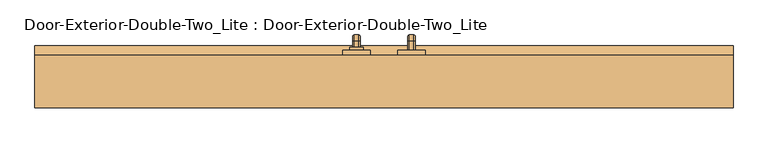
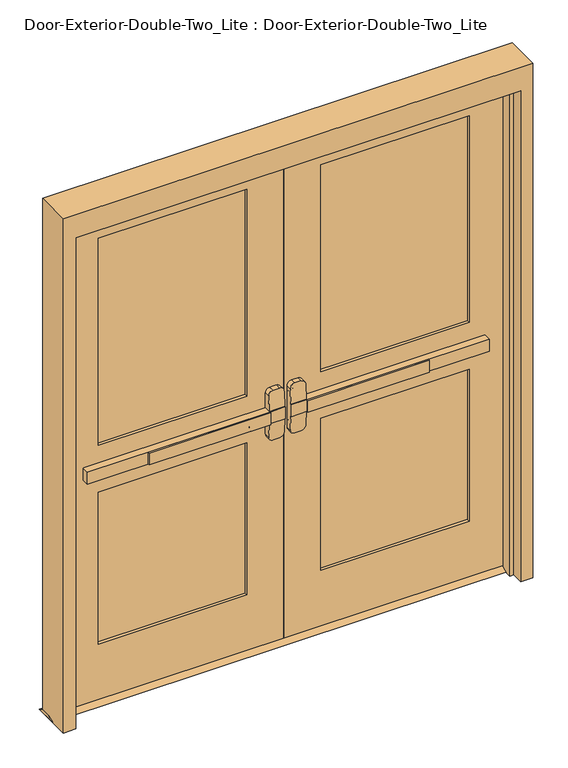
"""IFC4 building model written with IfcOpenShell, lengths in millimetres: door geometry, Door-Exterior-Double-Two_Lite : Door-Exterior-Double-Two_Lite."""

from ifc_helpers import new_model, si_unit, point, frame, frame_2d, origin, place, context, project, spatial, polyline, circle_curve, ellipse_curve, trimmed, segment, composite_curve, outline, extrude, faceted_brep, source, transform, mapped, element, save
from ifc_brep_helpers import plane_surface, cylinder_surface, revolved_surface, advanced_brep


def door_exterior_double_two_lite_door_exterior_double_two_lite_6260e01d(model_context):
    return source(origin(), model_context, "Body", "SolidModel", [
        extrude(outline(polyline([(-575.7333333, 0.0), (-575.7333333, 6.35), (-76.2, 6.35), (-76.2, 0.0), (-575.7333333, 0.0)])), frame((0.0, 0.0, 990.6), z_axis=(0.0, 0.0, 1.0), x_axis=(1.0, 0.0, 0.0)), (0.0, 0.0, 1.0), 50.8),
        advanced_brep(
        [(-12.7, 6.35, 1041.4), (-76.2, 6.35, 1041.4), (-825.5, 6.35, 1041.4), (-825.5, 6.35, 990.6), (-76.2, 6.35, 990.6), (-12.7, 6.35, 990.6), (-825.5, 38.1, 1041.4), (-76.2, 38.1, 1041.4), (-76.2, 38.1, 1104.9), (-57.15, 38.1, 1123.95), (-31.75, 38.1, 1123.95), (-12.7, 38.1, 1104.9), (-12.7, 38.1, 927.1), (-31.75, 38.1, 908.05), (-57.15, 38.1, 908.05), (-76.2, 38.1, 927.1), (-76.2, 38.1, 990.6), (-825.5, 38.1, 990.6), (-12.7, 9.5252467, 1041.4), (-76.2, 9.5252467, 1041.4), (-12.7, 9.5252467, 990.6), (-12.7, 14.5354269, 927.1), (-12.7, 14.5354269, 1104.9), (-76.2, 9.5252467, 990.6), (-76.2, 14.5354269, 1104.9), (-76.2, 14.5354269, 927.1), (-57.15, 16.038481, 1123.95), (-31.75, 16.038481, 1123.95), (-31.75, 16.038481, 908.05), (-57.15, 16.038481, 908.05)],
        [
            (0, 1),
            (1, 2),
            (2, 3),
            (3, 4),
            (4, 5),
            (5, 0),
            (6, 7),
            (7, 8),
            (8, 9, circle_curve(frame((-57.15, 38.1, 1104.9), z_axis=(0.0, 1.0, 0.0), x_axis=(-1.0, 0.0, 0.0)), 19.05)),
            (9, 10),
            (10, 11, circle_curve(frame((-31.75, 38.1, 1104.9), z_axis=(0.0, 1.0, 0.0), x_axis=(-1.0, 0.0, 0.0)), 19.05)),
            (11, 12),
            (12, 13, circle_curve(frame((-31.75, 38.1, 927.1), z_axis=(0.0, 1.0, 0.0), x_axis=(-1.0, 0.0, 0.0)), 19.05)),
            (13, 14),
            (14, 15, circle_curve(frame((-57.15, 38.1, 927.1), z_axis=(0.0, 1.0, 0.0), x_axis=(-1.0, 0.0, 0.0)), 19.05)),
            (15, 16),
            (16, 17),
            (17, 6),
            (0, 18),
            (18, 19),
            (19, 7),
            (6, 2),
            (5, 20),
            (20, 21),
            (21, 12),
            (11, 22),
            (22, 18),
            (16, 23),
            (23, 20),
            (3, 17),
            (19, 24),
            (24, 8),
            (15, 25),
            (25, 23),
            (9, 26),
            (26, 27),
            (27, 10),
            (13, 28),
            (28, 29),
            (29, 14),
            (29, 25, ellipse_curve(frame((-57.15, 14.5354269, 927.1), z_axis=(0.0, 0.9969018152893365, 0.07865602756830282), x_axis=(0.0, -0.07865602756830208, 0.9969018152893365)), 19.1092038, 19.05)),
            (24, 26, ellipse_curve(frame((-57.15, 14.5354269, 1104.9), z_axis=(0.0, 0.9969018152893376, -0.07865602756828934), x_axis=(0.0, -0.078656027568288, -0.9969018152893377)), 19.1092038, 19.05)),
            (27, 22, ellipse_curve(frame((-31.75, 14.5354269, 1104.9), z_axis=(0.0, 0.9969018152893376, -0.07865602756828934), x_axis=(0.0, -0.078656027568288, -0.9969018152893377)), 19.1092038, 19.05)),
            (21, 28, ellipse_curve(frame((-31.75, 14.5354269, 927.1), z_axis=(0.0, 0.9969018152893365, 0.07865602756830282), x_axis=(0.0, -0.07865602756830208, 0.9969018152893365)), 19.1092038, 19.05)),
        ],
        [
            plane_surface(frame((-12.7, 6.35, 1041.4), z_axis=(0.0, -1.0, 0.0), x_axis=(1.0, 0.0, 0.0))),
            plane_surface(frame((-12.7, 38.1, 1041.4), z_axis=(0.0, 1.0, 0.0), x_axis=(-1.0, 0.0, 0.0))),
            plane_surface(frame((-825.5, 6.35, 1041.4), z_axis=(0.0, 0.0, 1.0), x_axis=(0.0, 1.0, 0.0))),
            plane_surface(frame((-12.7, 6.35, 1041.4), z_axis=(1.0, 0.0, 0.0), x_axis=(0.0, 1.0, 0.0))),
            plane_surface(frame((-12.7, 6.35, 990.6), z_axis=(0.0, 0.0, -1.0), x_axis=(0.0, 1.0, 0.0))),
            plane_surface(frame((-825.5, 6.35, 990.6), z_axis=(-1.0, 0.0, 0.0), x_axis=(0.0, 1.0, 0.0))),
            plane_surface(frame((-76.2, 9.5252467, 927.1), z_axis=(-1.0, 0.0, 0.0), x_axis=(0.0, 1.0, 0.0))),
            plane_surface(frame((-57.15, 9.5252467, 1123.95), z_axis=(0.0, 0.0, 1.0), x_axis=(0.0, 1.0, 0.0))),
            plane_surface(frame((-31.75, 9.5252467, 908.05), z_axis=(0.0, 0.0, -1.0), x_axis=(0.0, 1.0, 0.0))),
            cylinder_surface(frame((-57.15, 38.1, 927.1), z_axis=(0.0, -1.0, 0.0), x_axis=(-1.0, 0.0, 0.0)), 19.05),
            cylinder_surface(frame((-57.15, 38.1, 1104.9), z_axis=(0.0, -1.0, 0.0), x_axis=(-1.0, 0.0, 0.0)), 19.05),
            cylinder_surface(frame((-31.75, 38.1, 1104.9), z_axis=(0.0, -1.0, 0.0), x_axis=(-1.0, 0.0, 0.0)), 19.05),
            cylinder_surface(frame((-31.75, 38.1, 927.1), z_axis=(0.0, -1.0, 0.0), x_axis=(-1.0, 0.0, 0.0)), 19.05),
            plane_surface(frame((-76.2, 9.5252467, 1041.4), z_axis=(0.0, -0.9969018152893376, 0.07865602756828934), x_axis=(1.0, 0.0, 0.0))),
            plane_surface(frame((-76.2, 16.038481, 908.05), z_axis=(0.0, -0.9969018152893365, -0.07865602756830282), x_axis=(1.0, 0.0, 0.0))),
        ],
        [
            (0, [[1, 2, 3, 4, 5, 6]]),
            (1, [[7, 8, 9, 10, 11, 12, 13, 14, 15, 16, 17, 18]]),
            (2, [[-2, -1, 19, 20, 21, -7, 22]]),
            (3, [[23, 24, 25, -12, 26, 27, -19, -6]]),
            (4, [[-17, 28, 29, -23, -5, -4, 30]]),
            (5, [[-22, -18, -30, -3]]),
            (6, [[-21, 31, 32, -8]]),
            (6, [[33, 34, -28, -16]]),
            (7, [[35, 36, 37, -10]]),
            (8, [[38, 39, 40, -14]]),
            (9, [[-40, 41, -33, -15]]),
            (10, [[-32, 42, -35, -9]]),
            (11, [[-37, 43, -26, -11]]),
            (12, [[-25, 44, -38, -13]]),
            (13, [[-27, -43, -36, -42, -31, -20]]),
            (14, [[-29, -34, -41, -39, -44, -24]]),
        ],
    ),
        extrude(outline(polyline([(82.55, 12.7), (107.95, 0.0), (12.7, 0.0), (38.1, 12.7), (82.55, 12.7)])), frame((-965.2, 0.0, 0.0), z_axis=(1.0, 0.0, 0.0), x_axis=(0.0, 1.0, 0.0)), (0.0, 0.0, 1.0), 1930.4),
        extrude(outline(polyline([(575.7333333, 0.0), (76.2, 0.0), (76.2, 6.35), (575.7333333, 6.35), (575.7333333, 0.0)])), frame((0.0, 0.0, 990.6), z_axis=(0.0, 0.0, 1.0), x_axis=(1.0, 0.0, 0.0)), (0.0, 0.0, 1.0), 50.8),
        advanced_brep(
        [(12.7, 6.35, 1041.4), (12.7, 6.35, 990.6), (76.2, 6.35, 990.6), (825.5, 6.35, 990.6), (825.5, 6.35, 1041.4), (76.2, 6.35, 1041.4), (825.5, 38.1, 1041.4), (825.5, 38.1, 990.6), (76.2, 38.1, 990.6), (76.2, 38.1, 927.1), (57.15, 38.1, 908.05), (31.75, 38.1, 908.05), (12.7, 38.1, 927.1), (12.7, 38.1, 1104.9), (31.75, 38.1, 1123.95), (57.15, 38.1, 1123.95), (76.2, 38.1, 1104.9), (76.2, 38.1, 1041.4), (76.2, 9.5252467, 1041.4), (12.7, 9.5252467, 1041.4), (12.7, 14.5354269, 1104.9), (12.7, 14.5354269, 927.1), (12.7, 9.5252467, 990.6), (76.2, 9.5252467, 990.6), (76.2, 14.5354269, 927.1), (76.2, 14.5354269, 1104.9), (31.75, 16.038481, 1123.95), (57.15, 16.038481, 1123.95), (57.15, 16.038481, 908.05), (31.75, 16.038481, 908.05)],
        [
            (0, 1),
            (1, 2),
            (2, 3),
            (3, 4),
            (4, 5),
            (5, 0),
            (6, 7),
            (7, 8),
            (8, 9),
            (9, 10, circle_curve(frame((57.15, 38.1, 927.1), z_axis=(0.0, 1.0, 0.0), x_axis=(1.0, 0.0, 0.0)), 19.05)),
            (10, 11),
            (11, 12, circle_curve(frame((31.75, 38.1, 927.1), z_axis=(0.0, 1.0, 0.0), x_axis=(1.0, 0.0, 0.0)), 19.05)),
            (12, 13),
            (13, 14, circle_curve(frame((31.75, 38.1, 1104.9), z_axis=(0.0, 1.0, 0.0), x_axis=(1.0, 0.0, 0.0)), 19.05)),
            (14, 15),
            (15, 16, circle_curve(frame((57.15, 38.1, 1104.9), z_axis=(0.0, 1.0, 0.0), x_axis=(1.0, 0.0, 0.0)), 19.05)),
            (16, 17),
            (17, 6),
            (4, 6),
            (17, 18),
            (18, 19),
            (19, 0),
            (19, 20),
            (20, 13),
            (12, 21),
            (21, 22),
            (22, 1),
            (7, 3),
            (22, 23),
            (23, 8),
            (23, 24),
            (24, 9),
            (16, 25),
            (25, 18),
            (14, 26),
            (26, 27),
            (27, 15),
            (10, 28),
            (28, 29),
            (29, 11),
            (24, 28, ellipse_curve(frame((57.15, 14.5354269, 927.1), z_axis=(0.0, 0.9969018152893365, 0.07865602756830282), x_axis=(0.0, -0.07865602756830208, 0.9969018152893365)), 19.1092038, 19.05)),
            (27, 25, ellipse_curve(frame((57.15, 14.5354269, 1104.9), z_axis=(0.0, 0.9969018152893376, -0.07865602756828934), x_axis=(0.0, -0.078656027568288, -0.9969018152893377)), 19.1092038, 19.05)),
            (20, 26, ellipse_curve(frame((31.75, 14.5354269, 1104.9), z_axis=(0.0, 0.9969018152893376, -0.07865602756828934), x_axis=(0.0, -0.078656027568288, -0.9969018152893377)), 19.1092038, 19.05)),
            (29, 21, ellipse_curve(frame((31.75, 14.5354269, 927.1), z_axis=(0.0, 0.9969018152893365, 0.07865602756830282), x_axis=(0.0, -0.07865602756830208, 0.9969018152893365)), 19.1092038, 19.05)),
        ],
        [
            plane_surface(frame((12.7, 6.35, 1041.4), z_axis=(0.0, -1.0, 0.0), x_axis=(-1.0, 0.0, 0.0))),
            plane_surface(frame((12.7, 38.1, 1041.4), z_axis=(0.0, 1.0, 0.0), x_axis=(1.0, 0.0, 0.0))),
            plane_surface(frame((825.5, 6.35, 1041.4), z_axis=(0.0, 0.0, 1.0), x_axis=(0.0, 1.0, 0.0))),
            plane_surface(frame((12.7, 6.35, 1041.4), z_axis=(-1.0, 0.0, 0.0), x_axis=(0.0, 1.0, 0.0))),
            plane_surface(frame((12.7, 6.35, 990.6), z_axis=(0.0, 0.0, -1.0), x_axis=(0.0, 1.0, 0.0))),
            plane_surface(frame((825.5, 6.35, 990.6), z_axis=(1.0, 0.0, 0.0), x_axis=(0.0, 1.0, 0.0))),
            plane_surface(frame((76.2, 9.5252467, 927.1), z_axis=(1.0, 0.0, 0.0), x_axis=(0.0, 1.0, 0.0))),
            plane_surface(frame((57.15, 9.5252467, 1123.95), z_axis=(0.0, 0.0, 1.0), x_axis=(0.0, 1.0, 0.0))),
            plane_surface(frame((31.75, 9.5252467, 908.05), z_axis=(0.0, 0.0, -1.0), x_axis=(0.0, 1.0, 0.0))),
            cylinder_surface(frame((57.15, 38.1, 927.1), z_axis=(0.0, -1.0, 0.0), x_axis=(1.0, 0.0, 0.0)), 19.05),
            cylinder_surface(frame((57.15, 38.1, 1104.9), z_axis=(0.0, -1.0, 0.0), x_axis=(1.0, 0.0, 0.0)), 19.05),
            cylinder_surface(frame((31.75, 38.1, 1104.9), z_axis=(0.0, -1.0, 0.0), x_axis=(1.0, 0.0, 0.0)), 19.05),
            cylinder_surface(frame((31.75, 38.1, 927.1), z_axis=(0.0, -1.0, 0.0), x_axis=(1.0, 0.0, 0.0)), 19.05),
            plane_surface(frame((76.2, 9.5252467, 1041.4), z_axis=(0.0, -0.9969018152893376, 0.07865602756828934), x_axis=(-1.0, 0.0, 0.0))),
            plane_surface(frame((76.2, 16.038481, 908.05), z_axis=(0.0, -0.9969018152893365, -0.07865602756830282), x_axis=(-1.0, 0.0, 0.0))),
        ],
        [
            (0, [[1, 2, 3, 4, 5, 6]]),
            (1, [[7, 8, 9, 10, 11, 12, 13, 14, 15, 16, 17, 18]]),
            (2, [[19, -18, 20, 21, 22, -6, -5]]),
            (3, [[-1, -22, 23, 24, -13, 25, 26, 27]]),
            (4, [[28, -3, -2, -27, 29, 30, -8]]),
            (5, [[-4, -28, -7, -19]]),
            (6, [[-9, -30, 31, 32]]),
            (6, [[-17, 33, 34, -20]]),
            (7, [[-15, 35, 36, 37]]),
            (8, [[-11, 38, 39, 40]]),
            (9, [[-10, -32, 41, -38]]),
            (10, [[-16, -37, 42, -33]]),
            (11, [[-14, -24, 43, -35]]),
            (12, [[-12, -40, 44, -25]]),
            (13, [[-21, -34, -42, -36, -43, -23]]),
            (14, [[-26, -44, -39, -41, -31, -29]]),
        ],
    ),
        advanced_brep(
        [(66.2, 95.25, 1017.190625), (66.2, 95.25, 1014.809375), (69.771875, 95.25, 1011.2375), (82.6284594, 95.25, 1011.2375), (86.2, 95.25, 1014.8090406), (86.2, 95.25, 1017.190625), (82.628125, 95.25, 1020.7625), (69.771875, 95.25, 1020.7625), (66.2, 95.25, 887.809375), (69.771875, 95.25, 884.2375), (82.628125, 95.25, 884.2375), (86.2, 95.25, 887.809375), (86.2, 95.25, 890.1909594), (82.6284594, 95.25, 893.7625), (69.771875, 95.25, 893.7625), (66.2, 95.25, 890.190625), (66.2, 120.65, 1017.190625), (66.2, 134.540625, 1003.3), (66.2, 134.540625, 901.7), (66.2, 120.65, 887.809375), (66.2, 120.65, 890.190625), (66.2, 132.159375, 901.7), (66.2, 132.159375, 1003.3), (66.2, 120.65, 1014.809375), (69.771875, 120.65, 1011.2375), (82.6284594, 120.65, 1011.2375), (86.2, 120.65, 1014.8090406), (86.2, 132.1590406, 1003.3), (86.2, 132.1590406, 901.7), (86.2, 120.65, 890.1909594), (86.2, 120.65, 887.809375), (86.2, 134.540625, 901.7), (86.2, 134.540625, 1003.3), (86.2, 120.65, 1017.190625), (82.628125, 120.65, 1020.7625), (69.771875, 120.65, 1020.7625), (69.771875, 128.5875, 1003.3), (82.6284594, 128.5875, 1003.3), (82.628125, 138.1125, 1003.3), (69.771875, 138.1125, 1003.3), (69.771875, 128.5875, 901.7), (82.6284594, 128.5875, 901.7), (82.628125, 138.1125, 901.7), (69.771875, 138.1125, 901.7), (69.771875, 120.65, 893.7625), (82.6284594, 120.65, 893.7625), (82.628125, 120.65, 884.2375), (69.771875, 120.65, 884.2375)],
        [
            (0, 1),
            (1, 2, circle_curve(frame((69.771875, 95.25, 1014.809375), z_axis=(0.0, -1.0, 0.0), x_axis=(0.0, 0.0, 1.0)), 3.571875)),
            (2, 3),
            (3, 4, circle_curve(frame((82.6284594, 95.25, 1014.8090406), z_axis=(0.0, -1.0, 0.0), x_axis=(0.0, 0.0, 1.0)), 3.5715406)),
            (4, 5),
            (5, 6, circle_curve(frame((82.628125, 95.25, 1017.190625), z_axis=(0.0, -1.0, 0.0), x_axis=(0.0, 0.0, 1.0)), 3.571875)),
            (6, 7),
            (7, 0, circle_curve(frame((69.771875, 95.25, 1017.190625), z_axis=(0.0, -1.0, 0.0), x_axis=(0.0, 0.0, 1.0)), 3.571875)),
            (8, 9, circle_curve(frame((69.771875, 95.25, 887.809375), z_axis=(0.0, -1.0, 0.0), x_axis=(0.0, 0.0, -1.0)), 3.571875)),
            (9, 10),
            (10, 11, circle_curve(frame((82.628125, 95.25, 887.809375), z_axis=(0.0, -1.0, 0.0), x_axis=(0.0, 0.0, -1.0)), 3.571875)),
            (11, 12),
            (12, 13, circle_curve(frame((82.6284594, 95.25, 890.1909594), z_axis=(0.0, -1.0, 0.0), x_axis=(0.0, 0.0, -1.0)), 3.5715406)),
            (13, 14),
            (14, 15, circle_curve(frame((69.771875, 95.25, 890.190625), z_axis=(0.0, -1.0, 0.0), x_axis=(0.0, 0.0, -1.0)), 3.571875)),
            (15, 8),
            (0, 16),
            (16, 17, circle_curve(frame((66.2, 120.65, 1003.3), z_axis=(-1.0, 0.0, 0.0), x_axis=(0.0, 0.0, 1.0)), 13.890625)),
            (17, 18),
            (18, 19, circle_curve(frame((66.2, 120.65, 901.7), z_axis=(-1.0, 0.0, 0.0), x_axis=(0.0, 1.0, 0.0)), 13.890625)),
            (19, 8),
            (15, 20),
            (20, 21, circle_curve(frame((66.2, 120.65, 901.7), z_axis=(1.0, 0.0, 0.0), x_axis=(0.0, 1.0, 0.0)), 11.509375)),
            (21, 22),
            (22, 23, circle_curve(frame((66.2, 120.65, 1003.3), z_axis=(1.0, 0.0, 0.0), x_axis=(0.0, 0.0, 1.0)), 11.509375)),
            (23, 1),
            (23, 24, circle_curve(frame((69.771875, 120.65, 1014.809375), z_axis=(0.0, -1.0, 0.0), x_axis=(0.0, 0.0, 1.0)), 3.571875)),
            (24, 2),
            (24, 25),
            (25, 3),
            (25, 26, circle_curve(frame((82.6284594, 120.65, 1014.8090406), z_axis=(0.0, -1.0, 0.0), x_axis=(0.0, 0.0, 1.0)), 3.5715406)),
            (26, 4),
            (26, 27, circle_curve(frame((86.2, 120.65, 1003.3), z_axis=(-1.0, 0.0, 0.0), x_axis=(0.0, 0.0, 1.0)), 11.5090406)),
            (27, 28),
            (28, 29, circle_curve(frame((86.2, 120.65, 901.7), z_axis=(-1.0, 0.0, 0.0), x_axis=(0.0, 1.0, 0.0)), 11.5090406)),
            (29, 12),
            (11, 30),
            (30, 31, circle_curve(frame((86.2, 120.65, 901.7), z_axis=(1.0, 0.0, 0.0), x_axis=(0.0, 1.0, 0.0)), 13.890625)),
            (31, 32),
            (32, 33, circle_curve(frame((86.2, 120.65, 1003.3), z_axis=(1.0, 0.0, 0.0), x_axis=(0.0, 0.0, 1.0)), 13.890625)),
            (33, 5),
            (33, 34, circle_curve(frame((82.628125, 120.65, 1017.190625), z_axis=(0.0, -1.0, 0.0), x_axis=(0.0, 0.0, 1.0)), 3.571875)),
            (34, 6),
            (34, 35),
            (35, 7),
            (35, 16, circle_curve(frame((69.771875, 120.65, 1017.190625), z_axis=(0.0, -1.0, 0.0), x_axis=(0.0, 0.0, 1.0)), 3.571875)),
            (36, 24, circle_curve(frame((69.771875, 120.65, 1003.3), z_axis=(1.0, 0.0, 0.0), x_axis=(0.0, 0.0, 1.0)), 7.9375)),
            (22, 36, circle_curve(frame((69.771875, 132.159375, 1003.3), z_axis=(0.0, 0.0, 1.0), x_axis=(0.0, 1.0, 0.0)), 3.571875)),
            (37, 25, circle_curve(frame((82.6284594, 120.65, 1003.3), z_axis=(1.0, 0.0, 0.0), x_axis=(0.0, 0.0, 1.0)), 7.9375)),
            (36, 37),
            (37, 27, circle_curve(frame((82.6284594, 132.1590406, 1003.3), z_axis=(0.0, 0.0, 1.0), x_axis=(0.0, 1.0, 0.0)), 3.5715406)),
            (38, 34, circle_curve(frame((82.628125, 120.65, 1003.3), z_axis=(1.0, 0.0, 0.0), x_axis=(0.0, 0.0, 1.0)), 17.4625)),
            (32, 38, circle_curve(frame((82.628125, 134.540625, 1003.3), z_axis=(0.0, 0.0, 1.0), x_axis=(0.0, 1.0, 0.0)), 3.571875)),
            (39, 35, circle_curve(frame((69.771875, 120.65, 1003.3), z_axis=(1.0, 0.0, 0.0), x_axis=(0.0, 0.0, 1.0)), 17.4625)),
            (38, 39),
            (39, 17, circle_curve(frame((69.771875, 134.540625, 1003.3), z_axis=(0.0, 0.0, 1.0), x_axis=(0.0, 1.0, 0.0)), 3.571875)),
            (21, 40, circle_curve(frame((69.771875, 132.159375, 901.7), z_axis=(0.0, 0.0, 1.0), x_axis=(0.0, 1.0, 0.0)), 3.571875)),
            (40, 36),
            (40, 41),
            (41, 37),
            (41, 28, circle_curve(frame((82.6284594, 132.1590406, 901.7), z_axis=(0.0, 0.0, 1.0), x_axis=(0.0, 1.0, 0.0)), 3.5715406)),
            (31, 42, circle_curve(frame((82.628125, 134.540625, 901.7), z_axis=(0.0, 0.0, 1.0), x_axis=(0.0, 1.0, 0.0)), 3.571875)),
            (42, 38),
            (42, 43),
            (43, 39),
            (43, 18, circle_curve(frame((69.771875, 134.540625, 901.7), z_axis=(0.0, 0.0, 1.0), x_axis=(0.0, 1.0, 0.0)), 3.571875)),
            (44, 40, circle_curve(frame((69.771875, 120.65, 901.7), z_axis=(1.0, 0.0, 0.0), x_axis=(0.0, 1.0, 0.0)), 7.9375)),
            (20, 44, circle_curve(frame((69.771875, 120.65, 890.190625), z_axis=(0.0, 1.0, 0.0), x_axis=(0.0, 0.0, -1.0)), 3.571875)),
            (45, 41, circle_curve(frame((82.6284594, 120.65, 901.7), z_axis=(1.0, 0.0, 0.0), x_axis=(0.0, 1.0, 0.0)), 7.9375)),
            (44, 45),
            (45, 29, circle_curve(frame((82.6284594, 120.65, 890.1909594), z_axis=(0.0, 1.0, 0.0), x_axis=(0.0, 0.0, -1.0)), 3.5715406)),
            (46, 42, circle_curve(frame((82.628125, 120.65, 901.7), z_axis=(1.0, 0.0, 0.0), x_axis=(0.0, 1.0, 0.0)), 17.4625)),
            (30, 46, circle_curve(frame((82.628125, 120.65, 887.809375), z_axis=(0.0, 1.0, 0.0), x_axis=(0.0, 0.0, -1.0)), 3.571875)),
            (47, 43, circle_curve(frame((69.771875, 120.65, 901.7), z_axis=(1.0, 0.0, 0.0), x_axis=(0.0, 1.0, 0.0)), 17.4625)),
            (46, 47),
            (47, 19, circle_curve(frame((69.771875, 120.65, 887.809375), z_axis=(0.0, 1.0, 0.0), x_axis=(0.0, 0.0, -1.0)), 3.571875)),
            (14, 44),
            (13, 45),
            (10, 46),
            (9, 47),
        ],
        [
            plane_surface(frame((76.2, 95.25, 1016.0), z_axis=(0.0, -1.0, 0.0), x_axis=(1.0, 0.0, 0.0))),
            plane_surface(frame((76.2, 95.25, 889.0), z_axis=(0.0, -1.0, 0.0), x_axis=(1.0, 0.0, 0.0))),
            plane_surface(frame((66.2, 95.25, 1017.190625), z_axis=(-1.0, 0.0, 0.0), x_axis=(0.0, 1.0, 0.0))),
            cylinder_surface(frame((69.771875, 95.25, 1014.809375), z_axis=(0.0, -1.0, 0.0), x_axis=(0.0, 0.0, 1.0)), 3.571875),
            plane_surface(frame((69.771875, 95.25, 1011.2375), z_axis=(0.0, 0.0, -1.0), x_axis=(0.0, 1.0, 0.0))),
            cylinder_surface(frame((82.6284594, 95.25, 1014.8090406), z_axis=(0.0, -1.0, 0.0), x_axis=(0.0, 0.0, 1.0)), 3.5715406),
            plane_surface(frame((86.2, 95.25, 1014.8090406), z_axis=(1.0, 0.0, 0.0), x_axis=(0.0, 1.0, 0.0))),
            cylinder_surface(frame((82.628125, 95.25, 1017.190625), z_axis=(0.0, -1.0, 0.0), x_axis=(0.0, 0.0, 1.0)), 3.571875),
            plane_surface(frame((82.628125, 95.25, 1020.7625), z_axis=(0.0, 0.0, 1.0), x_axis=(0.0, 1.0, 0.0))),
            cylinder_surface(frame((69.771875, 95.25, 1017.190625), z_axis=(0.0, -1.0, 0.0), x_axis=(0.0, 0.0, 1.0)), 3.571875),
            revolved_surface(trimmed(ellipse_curve(frame((69.771875, 120.65, 1014.809375), z_axis=(0.0, -1.0, 0.0), x_axis=(0.0, 0.0, 1.0)), 3.571875, 3.571875), [point((66.2, 120.65, 1014.809375))], [point((69.771875, 120.65, 1011.2375))], True, "CARTESIAN"), (76.2, 120.65, 1003.3), (-1.0, 0.0, 0.0)),
            revolved_surface(polyline([(69.771875, 120.65, 1011.2375), (82.6284594, 120.65, 1011.2375)]), (76.2, 120.65, 1003.3), (-1.0, 0.0, 0.0)),
            revolved_surface(trimmed(ellipse_curve(frame((82.6284594, 120.65, 1014.8090406), z_axis=(0.0, -1.0, 0.0), x_axis=(0.0, 0.0, 1.0)), 3.5715406, 3.5715406), [point((82.6284594, 120.65, 1011.2375))], [point((86.2, 120.65, 1014.8090406))], True, "CARTESIAN"), (76.2, 120.65, 1003.3), (-1.0, 0.0, 0.0)),
            revolved_surface(trimmed(ellipse_curve(frame((82.628125, 120.65, 1017.190625), z_axis=(0.0, -1.0, 0.0), x_axis=(0.0, 0.0, 1.0)), 3.571875, 3.571875), [point((86.2, 120.65, 1017.190625))], [point((82.628125, 120.65, 1020.7625))], True, "CARTESIAN"), (76.2, 120.65, 1003.3), (-1.0, 0.0, 0.0)),
            cylinder_surface(frame((76.2, 120.65, 1003.3), z_axis=(-1.0, 0.0, 0.0), x_axis=(0.0, 0.0, 1.0)), 17.4625),
            revolved_surface(trimmed(ellipse_curve(frame((69.771875, 120.65, 1017.190625), z_axis=(0.0, -1.0, 0.0), x_axis=(0.0, 0.0, 1.0)), 3.571875, 3.571875), [point((69.771875, 120.65, 1020.7625))], [point((66.2, 120.65, 1017.190625))], True, "CARTESIAN"), (76.2, 120.65, 1003.3), (-1.0, 0.0, 0.0)),
            cylinder_surface(frame((69.771875, 132.159375, 1003.3), z_axis=(0.0, 0.0, 1.0), x_axis=(0.0, 1.0, 0.0)), 3.571875),
            plane_surface(frame((69.771875, 128.5875, 1003.3), z_axis=(0.0, -1.0, 0.0), x_axis=(0.0, 0.0, -1.0))),
            cylinder_surface(frame((82.6284594, 132.1590406, 1003.3), z_axis=(0.0, 0.0, 1.0), x_axis=(0.0, 1.0, 0.0)), 3.5715406),
            cylinder_surface(frame((82.628125, 134.540625, 1003.3), z_axis=(0.0, 0.0, 1.0), x_axis=(0.0, 1.0, 0.0)), 3.571875),
            plane_surface(frame((82.628125, 138.1125, 1003.3), z_axis=(0.0, 1.0, 0.0), x_axis=(0.0, 0.0, -1.0))),
            cylinder_surface(frame((69.771875, 134.540625, 1003.3), z_axis=(0.0, 0.0, 1.0), x_axis=(0.0, 1.0, 0.0)), 3.571875),
            revolved_surface(trimmed(ellipse_curve(frame((69.771875, 132.159375, 901.7), z_axis=(0.0, 0.0, 1.0), x_axis=(0.0, 1.0, 0.0)), 3.571875, 3.571875), [point((66.2, 132.159375, 901.7))], [point((69.771875, 128.5875, 901.7))], True, "CARTESIAN"), (76.2, 120.65, 901.7), (-1.0, 0.0, 0.0)),
            revolved_surface(polyline([(69.771875, 128.5875, 901.7), (82.6284594, 128.5875, 901.7)]), (76.2, 120.65, 901.7), (-1.0, 0.0, 0.0)),
            revolved_surface(trimmed(ellipse_curve(frame((82.6284594, 132.1590406, 901.7), z_axis=(0.0, 0.0, 1.0), x_axis=(0.0, 1.0, 0.0)), 3.5715406, 3.5715406), [point((82.6284594, 128.5875, 901.7))], [point((86.2, 132.1590406, 901.7))], True, "CARTESIAN"), (76.2, 120.65, 901.7), (-1.0, 0.0, 0.0)),
            revolved_surface(trimmed(ellipse_curve(frame((82.628125, 134.540625, 901.7), z_axis=(0.0, 0.0, 1.0), x_axis=(0.0, 1.0, 0.0)), 3.571875, 3.571875), [point((86.2, 134.540625, 901.7))], [point((82.628125, 138.1125, 901.7))], True, "CARTESIAN"), (76.2, 120.65, 901.7), (-1.0, 0.0, 0.0)),
            cylinder_surface(frame((76.2, 120.65, 901.7), z_axis=(-1.0, 0.0, 0.0), x_axis=(0.0, 1.0, 0.0)), 17.4625),
            revolved_surface(trimmed(ellipse_curve(frame((69.771875, 134.540625, 901.7), z_axis=(0.0, 0.0, 1.0), x_axis=(0.0, 1.0, 0.0)), 3.571875, 3.571875), [point((69.771875, 138.1125, 901.7))], [point((66.2, 134.540625, 901.7))], True, "CARTESIAN"), (76.2, 120.65, 901.7), (-1.0, 0.0, 0.0)),
            cylinder_surface(frame((69.771875, 120.65, 890.190625), z_axis=(0.0, 1.0, 0.0), x_axis=(0.0, 0.0, -1.0)), 3.571875),
            plane_surface(frame((69.771875, 120.65, 893.7625), z_axis=(0.0, 0.0, 1.0), x_axis=(0.0, -1.0, 0.0))),
            cylinder_surface(frame((82.6284594, 120.65, 890.1909594), z_axis=(0.0, 1.0, 0.0), x_axis=(0.0, 0.0, -1.0)), 3.5715406),
            cylinder_surface(frame((82.628125, 120.65, 887.809375), z_axis=(0.0, 1.0, 0.0), x_axis=(0.0, 0.0, -1.0)), 3.571875),
            plane_surface(frame((82.628125, 120.65, 884.2375), z_axis=(0.0, 0.0, -1.0), x_axis=(0.0, -1.0, 0.0))),
            cylinder_surface(frame((69.771875, 120.65, 887.809375), z_axis=(0.0, 1.0, 0.0), x_axis=(0.0, 0.0, -1.0)), 3.571875),
        ],
        [
            (0, [[1, 2, 3, 4, 5, 6, 7, 8]]),
            (1, [[9, 10, 11, 12, 13, 14, 15, 16]]),
            (2, [[-1, 17, 18, 19, 20, 21, -16, 22, 23, 24, 25, 26]]),
            (3, [[-2, -26, 27, 28]]),
            (4, [[-3, -28, 29, 30]]),
            (5, [[-4, -30, 31, 32]]),
            (6, [[-5, -32, 33, 34, 35, 36, -12, 37, 38, 39, 40, 41]]),
            (7, [[-6, -41, 42, 43]]),
            (8, [[-7, -43, 44, 45]]),
            (9, [[-8, -45, 46, -17]]),
            (10, [[47, -27, -25, 48]]),
            (11, [[49, -29, -47, 50]]),
            (12, [[-33, -31, -49, 51]]),
            (13, [[52, -42, -40, 53]]),
            (14, [[54, -44, -52, 55]]),
            (15, [[-18, -46, -54, 56]]),
            (16, [[-48, -24, 57, 58]]),
            (17, [[-50, -58, 59, 60]]),
            (18, [[-51, -60, 61, -34]]),
            (19, [[-53, -39, 62, 63]]),
            (20, [[-55, -63, 64, 65]]),
            (21, [[-56, -65, 66, -19]]),
            (22, [[67, -57, -23, 68]]),
            (23, [[69, -59, -67, 70]]),
            (24, [[-35, -61, -69, 71]]),
            (25, [[72, -62, -38, 73]]),
            (26, [[74, -64, -72, 75]]),
            (27, [[-20, -66, -74, 76]]),
            (28, [[-68, -22, -15, 77]]),
            (29, [[-70, -77, -14, 78]]),
            (30, [[-71, -78, -13, -36]]),
            (31, [[-73, -37, -11, 79]]),
            (32, [[-75, -79, -10, 80]]),
            (33, [[-76, -80, -9, -21]]),
        ],
    ),
        extrude(outline(composite_curve([segment(trimmed(circle_curve(frame_2d((1113.0338574, 76.2)), 89.3016225), [point((1193.8, 114.3))], [point((1193.8, 38.1))], False, "CARTESIAN"), True, "CONTINUOUS"), segment(polyline([(1193.8, 38.1), (838.2, 38.1)]), True, "CONTINUOUS"), segment(trimmed(circle_curve(frame_2d((918.9661426, 76.2)), 89.3016225), [point((838.2, 38.1))], [point((838.2, 114.3))], False, "CARTESIAN"), True, "CONTINUOUS"), segment(polyline([(838.2, 114.3), (1193.8, 114.3)]), True, "CONTINUOUS")], self_intersect=False)), frame((0.0, 82.55, 0.0), z_axis=(0.0, 1.0, 0.0), x_axis=(0.0, 0.0, 1.0)), (0.0, 0.0, 1.0), 12.7),
        advanced_brep(
        [(-86.2, 95.25, 1017.190625), (-86.2, 95.25, 1014.809375), (-82.628125, 95.25, 1011.2375), (-69.7715406, 95.25, 1011.2375), (-66.2, 95.25, 1014.8090406), (-66.2, 95.25, 1017.190625), (-69.771875, 95.25, 1020.7625), (-82.628125, 95.25, 1020.7625), (-86.2, 95.25, 887.809375), (-82.628125, 95.25, 884.2375), (-69.771875, 95.25, 884.2375), (-66.2, 95.25, 887.809375), (-66.2, 95.25, 890.1909594), (-69.7715406, 95.25, 893.7625), (-82.628125, 95.25, 893.7625), (-86.2, 95.25, 890.190625), (-86.2, 120.65, 1017.190625), (-86.2, 134.540625, 1003.3), (-86.2, 134.540625, 901.7), (-86.2, 120.65, 887.809375), (-86.2, 120.65, 890.190625), (-86.2, 132.159375, 901.7), (-86.2, 132.159375, 1003.3), (-86.2, 120.65, 1014.809375), (-82.628125, 120.65, 1011.2375), (-69.7715406, 120.65, 1011.2375), (-66.2, 120.65, 1014.8090406), (-66.2, 132.1590406, 1003.3), (-66.2, 132.1590406, 901.7), (-66.2, 120.65, 890.1909594), (-66.2, 120.65, 887.809375), (-66.2, 134.540625, 901.7), (-66.2, 134.540625, 1003.3), (-66.2, 120.65, 1017.190625), (-69.771875, 120.65, 1020.7625), (-82.628125, 120.65, 1020.7625), (-82.628125, 128.5875, 1003.3), (-69.7715406, 128.5875, 1003.3), (-69.771875, 138.1125, 1003.3), (-82.628125, 138.1125, 1003.3), (-82.628125, 128.5875, 901.7), (-69.7715406, 128.5875, 901.7), (-69.771875, 138.1125, 901.7), (-82.628125, 138.1125, 901.7), (-82.628125, 120.65, 893.7625), (-69.7715406, 120.65, 893.7625), (-69.771875, 120.65, 884.2375), (-82.628125, 120.65, 884.2375)],
        [
            (0, 1),
            (1, 2, circle_curve(frame((-82.628125, 95.25, 1014.809375), z_axis=(0.0, -1.0, 0.0), x_axis=(0.0, 0.0, 1.0)), 3.571875)),
            (2, 3),
            (3, 4, circle_curve(frame((-69.7715406, 95.25, 1014.8090406), z_axis=(0.0, -1.0, 0.0), x_axis=(0.0, 0.0, 1.0)), 3.5715406)),
            (4, 5),
            (5, 6, circle_curve(frame((-69.771875, 95.25, 1017.190625), z_axis=(0.0, -1.0, 0.0), x_axis=(0.0, 0.0, 1.0)), 3.571875)),
            (6, 7),
            (7, 0, circle_curve(frame((-82.628125, 95.25, 1017.190625), z_axis=(0.0, -1.0, 0.0), x_axis=(0.0, 0.0, 1.0)), 3.571875)),
            (8, 9, circle_curve(frame((-82.628125, 95.25, 887.809375), z_axis=(0.0, -1.0, 0.0), x_axis=(0.0, 0.0, -1.0)), 3.571875)),
            (9, 10),
            (10, 11, circle_curve(frame((-69.771875, 95.25, 887.809375), z_axis=(0.0, -1.0, 0.0), x_axis=(0.0, 0.0, -1.0)), 3.571875)),
            (11, 12),
            (12, 13, circle_curve(frame((-69.7715406, 95.25, 890.1909594), z_axis=(0.0, -1.0, 0.0), x_axis=(0.0, 0.0, -1.0)), 3.5715406)),
            (13, 14),
            (14, 15, circle_curve(frame((-82.628125, 95.25, 890.190625), z_axis=(0.0, -1.0, 0.0), x_axis=(0.0, 0.0, -1.0)), 3.571875)),
            (15, 8),
            (0, 16),
            (16, 17, circle_curve(frame((-86.2, 120.65, 1003.3), z_axis=(-1.0, 0.0, 0.0), x_axis=(0.0, 0.0, 1.0)), 13.890625)),
            (17, 18),
            (18, 19, circle_curve(frame((-86.2, 120.65, 901.7), z_axis=(-1.0, 0.0, 0.0), x_axis=(0.0, 1.0, 0.0)), 13.890625)),
            (19, 8),
            (15, 20),
            (20, 21, circle_curve(frame((-86.2, 120.65, 901.7), z_axis=(1.0, 0.0, 0.0), x_axis=(0.0, 1.0, 0.0)), 11.509375)),
            (21, 22),
            (22, 23, circle_curve(frame((-86.2, 120.65, 1003.3), z_axis=(1.0, 0.0, 0.0), x_axis=(0.0, 0.0, 1.0)), 11.509375)),
            (23, 1),
            (23, 24, circle_curve(frame((-82.628125, 120.65, 1014.809375), z_axis=(0.0, -1.0, 0.0), x_axis=(0.0, 0.0, 1.0)), 3.571875)),
            (24, 2),
            (24, 25),
            (25, 3),
            (25, 26, circle_curve(frame((-69.7715406, 120.65, 1014.8090406), z_axis=(0.0, -1.0, 0.0), x_axis=(0.0, 0.0, 1.0)), 3.5715406)),
            (26, 4),
            (26, 27, circle_curve(frame((-66.2, 120.65, 1003.3), z_axis=(-1.0, 0.0, 0.0), x_axis=(0.0, 0.0, 1.0)), 11.5090406)),
            (27, 28),
            (28, 29, circle_curve(frame((-66.2, 120.65, 901.7), z_axis=(-1.0, 0.0, 0.0), x_axis=(0.0, 1.0, 0.0)), 11.5090406)),
            (29, 12),
            (11, 30),
            (30, 31, circle_curve(frame((-66.2, 120.65, 901.7), z_axis=(1.0, 0.0, 0.0), x_axis=(0.0, 1.0, 0.0)), 13.890625)),
            (31, 32),
            (32, 33, circle_curve(frame((-66.2, 120.65, 1003.3), z_axis=(1.0, 0.0, 0.0), x_axis=(0.0, 0.0, 1.0)), 13.890625)),
            (33, 5),
            (33, 34, circle_curve(frame((-69.771875, 120.65, 1017.190625), z_axis=(0.0, -1.0, 0.0), x_axis=(0.0, 0.0, 1.0)), 3.571875)),
            (34, 6),
            (34, 35),
            (35, 7),
            (35, 16, circle_curve(frame((-82.628125, 120.65, 1017.190625), z_axis=(0.0, -1.0, 0.0), x_axis=(0.0, 0.0, 1.0)), 3.571875)),
            (36, 24, circle_curve(frame((-82.628125, 120.65, 1003.3), z_axis=(1.0, 0.0, 0.0), x_axis=(0.0, 0.0, 1.0)), 7.9375)),
            (22, 36, circle_curve(frame((-82.628125, 132.159375, 1003.3), z_axis=(0.0, 0.0, 1.0), x_axis=(0.0, 1.0, 0.0)), 3.571875)),
            (37, 25, circle_curve(frame((-69.7715406, 120.65, 1003.3), z_axis=(1.0, 0.0, 0.0), x_axis=(0.0, 0.0, 1.0)), 7.9375)),
            (36, 37),
            (37, 27, circle_curve(frame((-69.7715406, 132.1590406, 1003.3), z_axis=(0.0, 0.0, 1.0), x_axis=(0.0, 1.0, 0.0)), 3.5715406)),
            (38, 34, circle_curve(frame((-69.771875, 120.65, 1003.3), z_axis=(1.0, 0.0, 0.0), x_axis=(0.0, 0.0, 1.0)), 17.4625)),
            (32, 38, circle_curve(frame((-69.771875, 134.540625, 1003.3), z_axis=(0.0, 0.0, 1.0), x_axis=(0.0, 1.0, 0.0)), 3.571875)),
            (39, 35, circle_curve(frame((-82.628125, 120.65, 1003.3), z_axis=(1.0, 0.0, 0.0), x_axis=(0.0, 0.0, 1.0)), 17.4625)),
            (38, 39),
            (39, 17, circle_curve(frame((-82.628125, 134.540625, 1003.3), z_axis=(0.0, 0.0, 1.0), x_axis=(0.0, 1.0, 0.0)), 3.571875)),
            (21, 40, circle_curve(frame((-82.628125, 132.159375, 901.7), z_axis=(0.0, 0.0, 1.0), x_axis=(0.0, 1.0, 0.0)), 3.571875)),
            (40, 36),
            (40, 41),
            (41, 37),
            (41, 28, circle_curve(frame((-69.7715406, 132.1590406, 901.7), z_axis=(0.0, 0.0, 1.0), x_axis=(0.0, 1.0, 0.0)), 3.5715406)),
            (31, 42, circle_curve(frame((-69.771875, 134.540625, 901.7), z_axis=(0.0, 0.0, 1.0), x_axis=(0.0, 1.0, 0.0)), 3.571875)),
            (42, 38),
            (42, 43),
            (43, 39),
            (43, 18, circle_curve(frame((-82.628125, 134.540625, 901.7), z_axis=(0.0, 0.0, 1.0), x_axis=(0.0, 1.0, 0.0)), 3.571875)),
            (44, 40, circle_curve(frame((-82.628125, 120.65, 901.7), z_axis=(1.0, 0.0, 0.0), x_axis=(0.0, 1.0, 0.0)), 7.9375)),
            (20, 44, circle_curve(frame((-82.628125, 120.65, 890.190625), z_axis=(0.0, 1.0, 0.0), x_axis=(0.0, 0.0, -1.0)), 3.571875)),
            (45, 41, circle_curve(frame((-69.7715406, 120.65, 901.7), z_axis=(1.0, 0.0, 0.0), x_axis=(0.0, 1.0, 0.0)), 7.9375)),
            (44, 45),
            (45, 29, circle_curve(frame((-69.7715406, 120.65, 890.1909594), z_axis=(0.0, 1.0, 0.0), x_axis=(0.0, 0.0, -1.0)), 3.5715406)),
            (46, 42, circle_curve(frame((-69.771875, 120.65, 901.7), z_axis=(1.0, 0.0, 0.0), x_axis=(0.0, 1.0, 0.0)), 17.4625)),
            (30, 46, circle_curve(frame((-69.771875, 120.65, 887.809375), z_axis=(0.0, 1.0, 0.0), x_axis=(0.0, 0.0, -1.0)), 3.571875)),
            (47, 43, circle_curve(frame((-82.628125, 120.65, 901.7), z_axis=(1.0, 0.0, 0.0), x_axis=(0.0, 1.0, 0.0)), 17.4625)),
            (46, 47),
            (47, 19, circle_curve(frame((-82.628125, 120.65, 887.809375), z_axis=(0.0, 1.0, 0.0), x_axis=(0.0, 0.0, -1.0)), 3.571875)),
            (14, 44),
            (13, 45),
            (10, 46),
            (9, 47),
        ],
        [
            plane_surface(frame((-76.2, 95.25, 1016.0), z_axis=(0.0, -1.0, 0.0), x_axis=(1.0, 0.0, 0.0))),
            plane_surface(frame((-76.2, 95.25, 889.0), z_axis=(0.0, -1.0, 0.0), x_axis=(1.0, 0.0, 0.0))),
            plane_surface(frame((-86.2, 95.25, 1017.190625), z_axis=(-1.0, 0.0, 0.0), x_axis=(0.0, 1.0, 0.0))),
            cylinder_surface(frame((-82.628125, 95.25, 1014.809375), z_axis=(0.0, -1.0, 0.0), x_axis=(0.0, 0.0, 1.0)), 3.571875),
            plane_surface(frame((-82.628125, 95.25, 1011.2375), z_axis=(0.0, 0.0, -1.0), x_axis=(0.0, 1.0, 0.0))),
            cylinder_surface(frame((-69.7715406, 95.25, 1014.8090406), z_axis=(0.0, -1.0, 0.0), x_axis=(0.0, 0.0, 1.0)), 3.5715406),
            plane_surface(frame((-66.2, 95.25, 1014.8090406), z_axis=(1.0, 0.0, 0.0), x_axis=(0.0, 1.0, 0.0))),
            cylinder_surface(frame((-69.771875, 95.25, 1017.190625), z_axis=(0.0, -1.0, 0.0), x_axis=(0.0, 0.0, 1.0)), 3.571875),
            plane_surface(frame((-69.771875, 95.25, 1020.7625), z_axis=(0.0, 0.0, 1.0), x_axis=(0.0, 1.0, 0.0))),
            cylinder_surface(frame((-82.628125, 95.25, 1017.190625), z_axis=(0.0, -1.0, 0.0), x_axis=(0.0, 0.0, 1.0)), 3.571875),
            revolved_surface(trimmed(ellipse_curve(frame((-82.628125, 120.65, 1014.809375), z_axis=(0.0, -1.0, 0.0), x_axis=(0.0, 0.0, 1.0)), 3.571875, 3.571875), [point((-86.2, 120.65, 1014.809375))], [point((-82.628125, 120.65, 1011.2375))], True, "CARTESIAN"), (-76.2, 120.65, 1003.3), (-1.0, 0.0, 0.0)),
            revolved_surface(polyline([(-82.628125, 120.65, 1011.2375), (-69.7715406, 120.65, 1011.2375)]), (-76.2, 120.65, 1003.3), (-1.0, 0.0, 0.0)),
            revolved_surface(trimmed(ellipse_curve(frame((-69.7715406, 120.65, 1014.8090406), z_axis=(0.0, -1.0, 0.0), x_axis=(0.0, 0.0, 1.0)), 3.5715406, 3.5715406), [point((-69.7715406, 120.65, 1011.2375))], [point((-66.2, 120.65, 1014.8090406))], True, "CARTESIAN"), (-76.2, 120.65, 1003.3), (-1.0, 0.0, 0.0)),
            revolved_surface(trimmed(ellipse_curve(frame((-69.771875, 120.65, 1017.190625), z_axis=(0.0, -1.0, 0.0), x_axis=(0.0, 0.0, 1.0)), 3.571875, 3.571875), [point((-66.2, 120.65, 1017.190625))], [point((-69.771875, 120.65, 1020.7625))], True, "CARTESIAN"), (-76.2, 120.65, 1003.3), (-1.0, 0.0, 0.0)),
            cylinder_surface(frame((-76.2, 120.65, 1003.3), z_axis=(-1.0, 0.0, 0.0), x_axis=(0.0, 0.0, 1.0)), 17.4625),
            revolved_surface(trimmed(ellipse_curve(frame((-82.628125, 120.65, 1017.190625), z_axis=(0.0, -1.0, 0.0), x_axis=(0.0, 0.0, 1.0)), 3.571875, 3.571875), [point((-82.628125, 120.65, 1020.7625))], [point((-86.2, 120.65, 1017.190625))], True, "CARTESIAN"), (-76.2, 120.65, 1003.3), (-1.0, 0.0, 0.0)),
            cylinder_surface(frame((-82.628125, 132.159375, 1003.3), z_axis=(0.0, 0.0, 1.0), x_axis=(0.0, 1.0, 0.0)), 3.571875),
            plane_surface(frame((-82.628125, 128.5875, 1003.3), z_axis=(0.0, -1.0, 0.0), x_axis=(0.0, 0.0, -1.0))),
            cylinder_surface(frame((-69.7715406, 132.1590406, 1003.3), z_axis=(0.0, 0.0, 1.0), x_axis=(0.0, 1.0, 0.0)), 3.5715406),
            cylinder_surface(frame((-69.771875, 134.540625, 1003.3), z_axis=(0.0, 0.0, 1.0), x_axis=(0.0, 1.0, 0.0)), 3.571875),
            plane_surface(frame((-69.771875, 138.1125, 1003.3), z_axis=(0.0, 1.0, 0.0), x_axis=(0.0, 0.0, -1.0))),
            cylinder_surface(frame((-82.628125, 134.540625, 1003.3), z_axis=(0.0, 0.0, 1.0), x_axis=(0.0, 1.0, 0.0)), 3.571875),
            revolved_surface(trimmed(ellipse_curve(frame((-82.628125, 132.159375, 901.7), z_axis=(0.0, 0.0, 1.0), x_axis=(0.0, 1.0, 0.0)), 3.571875, 3.571875), [point((-86.2, 132.159375, 901.7))], [point((-82.628125, 128.5875, 901.7))], True, "CARTESIAN"), (-76.2, 120.65, 901.7), (-1.0, 0.0, 0.0)),
            revolved_surface(polyline([(-82.628125, 128.5875, 901.7), (-69.7715406, 128.5875, 901.7)]), (-76.2, 120.65, 901.7), (-1.0, 0.0, 0.0)),
            revolved_surface(trimmed(ellipse_curve(frame((-69.7715406, 132.1590406, 901.7), z_axis=(0.0, 0.0, 1.0), x_axis=(0.0, 1.0, 0.0)), 3.5715406, 3.5715406), [point((-69.7715406, 128.5875, 901.7))], [point((-66.2, 132.1590406, 901.7))], True, "CARTESIAN"), (-76.2, 120.65, 901.7), (-1.0, 0.0, 0.0)),
            revolved_surface(trimmed(ellipse_curve(frame((-69.771875, 134.540625, 901.7), z_axis=(0.0, 0.0, 1.0), x_axis=(0.0, 1.0, 0.0)), 3.571875, 3.571875), [point((-66.2, 134.540625, 901.7))], [point((-69.771875, 138.1125, 901.7))], True, "CARTESIAN"), (-76.2, 120.65, 901.7), (-1.0, 0.0, 0.0)),
            cylinder_surface(frame((-76.2, 120.65, 901.7), z_axis=(-1.0, 0.0, 0.0), x_axis=(0.0, 1.0, 0.0)), 17.4625),
            revolved_surface(trimmed(ellipse_curve(frame((-82.628125, 134.540625, 901.7), z_axis=(0.0, 0.0, 1.0), x_axis=(0.0, 1.0, 0.0)), 3.571875, 3.571875), [point((-82.628125, 138.1125, 901.7))], [point((-86.2, 134.540625, 901.7))], True, "CARTESIAN"), (-76.2, 120.65, 901.7), (-1.0, 0.0, 0.0)),
            cylinder_surface(frame((-82.628125, 120.65, 890.190625), z_axis=(0.0, 1.0, 0.0), x_axis=(0.0, 0.0, -1.0)), 3.571875),
            plane_surface(frame((-82.628125, 120.65, 893.7625), z_axis=(0.0, 0.0, 1.0), x_axis=(0.0, -1.0, 0.0))),
            cylinder_surface(frame((-69.7715406, 120.65, 890.1909594), z_axis=(0.0, 1.0, 0.0), x_axis=(0.0, 0.0, -1.0)), 3.5715406),
            cylinder_surface(frame((-69.771875, 120.65, 887.809375), z_axis=(0.0, 1.0, 0.0), x_axis=(0.0, 0.0, -1.0)), 3.571875),
            plane_surface(frame((-69.771875, 120.65, 884.2375), z_axis=(0.0, 0.0, -1.0), x_axis=(0.0, -1.0, 0.0))),
            cylinder_surface(frame((-82.628125, 120.65, 887.809375), z_axis=(0.0, 1.0, 0.0), x_axis=(0.0, 0.0, -1.0)), 3.571875),
        ],
        [
            (0, [[1, 2, 3, 4, 5, 6, 7, 8]]),
            (1, [[9, 10, 11, 12, 13, 14, 15, 16]]),
            (2, [[-1, 17, 18, 19, 20, 21, -16, 22, 23, 24, 25, 26]]),
            (3, [[-2, -26, 27, 28]]),
            (4, [[-3, -28, 29, 30]]),
            (5, [[-4, -30, 31, 32]]),
            (6, [[-5, -32, 33, 34, 35, 36, -12, 37, 38, 39, 40, 41]]),
            (7, [[-6, -41, 42, 43]]),
            (8, [[-7, -43, 44, 45]]),
            (9, [[-8, -45, 46, -17]]),
            (10, [[47, -27, -25, 48]]),
            (11, [[49, -29, -47, 50]]),
            (12, [[-33, -31, -49, 51]]),
            (13, [[52, -42, -40, 53]]),
            (14, [[54, -44, -52, 55]]),
            (15, [[-18, -46, -54, 56]]),
            (16, [[-48, -24, 57, 58]]),
            (17, [[-50, -58, 59, 60]]),
            (18, [[-51, -60, 61, -34]]),
            (19, [[-53, -39, 62, 63]]),
            (20, [[-55, -63, 64, 65]]),
            (21, [[-56, -65, 66, -19]]),
            (22, [[67, -57, -23, 68]]),
            (23, [[69, -59, -67, 70]]),
            (24, [[-35, -61, -69, 71]]),
            (25, [[72, -62, -38, 73]]),
            (26, [[74, -64, -72, 75]]),
            (27, [[-20, -66, -74, 76]]),
            (28, [[-68, -22, -15, 77]]),
            (29, [[-70, -77, -14, 78]]),
            (30, [[-71, -78, -13, -36]]),
            (31, [[-73, -37, -11, 79]]),
            (32, [[-75, -79, -10, 80]]),
            (33, [[-76, -80, -9, -21]]),
        ],
    ),
        extrude(outline(composite_curve([segment(trimmed(circle_curve(frame_2d((1117.6, -76.2)), 19.0), [point((1117.6, -95.2))], [point((1117.6, -57.2))], False, "CARTESIAN"), True, "CONTINUOUS"), segment(trimmed(circle_curve(frame_2d((1117.6, -76.2)), 19.0), [point((1117.6, -57.2))], [point((1117.6, -95.2))], False, "CARTESIAN"), True, "CONTINUOUS")], self_intersect=False)), frame((0.0, 95.25, 0.0), z_axis=(0.0, 1.0, 0.0), x_axis=(0.0, 0.0, 1.0)), (0.0, 0.0, 1.0), 8.73125),
        extrude(outline(composite_curve([segment(trimmed(circle_curve(frame_2d((1113.0338574, -76.2)), 89.3016225), [point((1193.8, -38.1))], [point((1193.8, -114.3))], False, "CARTESIAN"), True, "CONTINUOUS"), segment(polyline([(1193.8, -114.3), (838.2, -114.3)]), True, "CONTINUOUS"), segment(trimmed(circle_curve(frame_2d((918.9661426, -76.2)), 89.3016225), [point((838.2, -114.3))], [point((838.2, -38.1))], False, "CARTESIAN"), True, "CONTINUOUS"), segment(polyline([(838.2, -38.1), (1193.8, -38.1)]), True, "CONTINUOUS")], self_intersect=False)), frame((0.0, 82.55, 0.0), z_axis=(0.0, 1.0, 0.0), x_axis=(0.0, 0.0, 1.0)), (0.0, 0.0, 1.0), 12.7),
        faceted_brep([(914.4, 33.3375, 0.0), (914.4, 82.55, 0.0), (965.2, 82.55, 0.0), (965.2, -63.5, 0.0), (914.4, -63.5, 0.0), (914.4, -14.2875, 0.0), (898.525, -14.2875, 0.0), (898.525, 33.3375, 0.0), (914.4, 33.3375, 2133.6), (914.4, 82.55, 2133.6), (-914.4, 82.55, 2133.6), (-914.4, 82.55, 0.0), (-965.2, 82.55, 0.0), (-965.2, 82.55, 2235.2), (965.2, 82.55, 2235.2), (965.2, -63.5, 2235.2), (-965.2, -63.5, 2235.2), (-965.2, -63.5, 0.0), (-914.4, -63.5, 0.0), (-914.4, -63.5, 2133.6), (914.4, -63.5, 2133.6), (914.4, -14.2875, 2133.6), (-914.4, -14.2875, 2133.6), (-914.4, -14.2875, 0.0), (-898.525, -14.2875, 0.0), (-898.525, -14.2875, 2117.725), (898.525, -14.2875, 2117.725), (898.525, 33.3375, 2117.725), (-898.525, 33.3375, 2117.725), (-898.525, 33.3375, 0.0), (-914.4, 33.3375, 0.0), (-914.4, 33.3375, 2133.6)], [[[0, 1, 2, 3, 4, 5, 6, 7]], [[1, 0, 8, 9]], [[2, 1, 9, 10, 11, 12, 13, 14]], [[3, 2, 14, 15]], [[4, 3, 15, 16, 17, 18, 19, 20]], [[5, 4, 20, 21]], [[6, 5, 21, 22, 23, 24, 25, 26]], [[7, 6, 26, 27]], [[0, 7, 27, 28, 29, 30, 31, 8]], [[9, 8, 31, 10]], [[20, 19, 22, 21]], [[26, 25, 28, 27]], [[12, 11, 30, 29, 24, 23, 18, 17]], [[11, 10, 31, 30]], [[13, 12, 17, 16]], [[19, 18, 23, 22]], [[25, 24, 29, 28]], [[15, 14, 13, 16]]]),
        extrude(outline(polyline([(2133.6, 1.5875), (12.7, 1.5875), (12.7, 914.4), (2133.6, 914.4), (2133.6, 1.5875)]), holes=[polyline([(2016.125, 152.4), (2016.125, 762.0), (1117.6, 762.0), (1117.6, 152.4), (2016.125, 152.4)]), polyline([(914.4, 152.4), (914.4, 762.0), (254.0, 762.0), (254.0, 152.4), (914.4, 152.4)])]), frame((0.0, 38.1, 0.0), z_axis=(0.0, 1.0, 0.0), x_axis=(0.0, 0.0, 1.0)), (0.0, 0.0, 1.0), 44.45),
        extrude(outline(polyline([(12.7, -1.5875), (2133.6, -1.5875), (2133.6, -914.4), (12.7, -914.4), (12.7, -1.5875)]), holes=[polyline([(2016.125, -762.0), (2016.125, -152.4), (1117.6, -152.4), (1117.6, -762.0), (2016.125, -762.0)]), polyline([(914.4, -762.0), (914.4, -152.4), (254.0, -152.4), (254.0, -762.0), (914.4, -762.0)])]), frame((0.0, 38.1, 0.0), z_axis=(0.0, 1.0, 0.0), x_axis=(0.0, 0.0, 1.0)), (0.0, 0.0, 1.0), 44.45),
        extrude(outline(polyline([(762.0, 50.8), (152.4, 50.8), (152.4, 69.85), (762.0, 69.85), (762.0, 50.8)])), frame((0.0, 0.0, 1117.6), z_axis=(0.0, 0.0, 1.0), x_axis=(1.0, 0.0, 0.0)), (0.0, 0.0, 1.0), 898.525),
        extrude(outline(polyline([(-152.4, 50.8), (-762.0, 50.8), (-762.0, 69.85), (-152.4, 69.85), (-152.4, 50.8)])), frame((0.0, 0.0, 1117.6), z_axis=(0.0, 0.0, 1.0), x_axis=(1.0, 0.0, 0.0)), (0.0, 0.0, 1.0), 898.525),
        extrude(outline(polyline([(-152.4, 50.8), (-762.0, 50.8), (-762.0, 69.85), (-152.4, 69.85), (-152.4, 50.8)])), frame((0.0, 0.0, 254.0), z_axis=(0.0, 0.0, 1.0), x_axis=(1.0, 0.0, 0.0)), (0.0, 0.0, 1.0), 660.4),
        extrude(outline(polyline([(762.0, 50.8), (152.4, 50.8), (152.4, 69.85), (762.0, 69.85), (762.0, 50.8)])), frame((0.0, 0.0, 254.0), z_axis=(0.0, 0.0, 1.0), x_axis=(1.0, 0.0, 0.0)), (0.0, 0.0, 1.0), 660.4),
    ])


if __name__ == "__main__":
    model = new_model("IFC4")
    model_context = context("Model", 3, world=origin())
    ifc_project = project(units=[si_unit("LENGTHUNIT", "METRE", prefix="MILLI")], contexts=[model_context])
    site = spatial("IfcSite", under=ifc_project)
    building = spatial("IfcBuilding", under=site)
    placement = place(None, origin())
    door_exterior_double_two_lite_door_exterior_double_two_lite_shape = door_exterior_double_two_lite_door_exterior_double_two_lite_6260e01d(model_context)
    element("IfcDoor", 1, ObjectType="Door-Exterior-Double-Two_Lite : Door-Exterior-Double-Two_Lite", at=placement, inside=building, context=model_context, shape_type="MappedRepresentation", body=[
        mapped(door_exterior_double_two_lite_door_exterior_double_two_lite_shape, transform((0.0, 0.0, 0.0), x_axis=(1.0, 0.0, 0.0), y_axis=(0.0, 1.0, 0.0), z_axis=(0.0, 0.0, 1.0))),
    ])
    save(model, "model.ifc")
